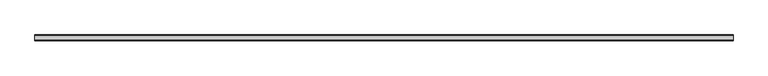
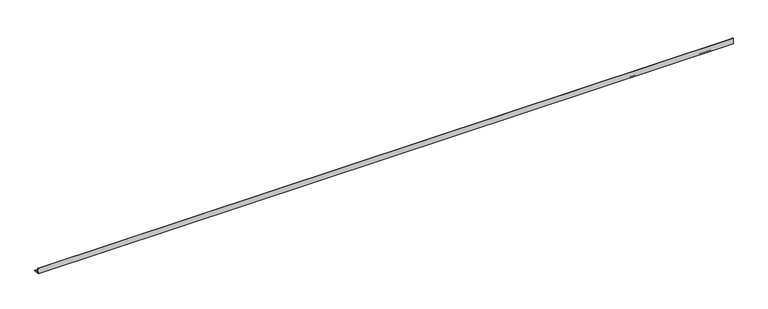
"""IFC4 building model written with IfcOpenShell, lengths in millimetres: beam geometry."""

from ifc_helpers import new_model, si_unit, point, frame, frame_2d, origin, place, context, project, spatial, polyline, circle_curve, trimmed, segment, composite_curve, outline, extrude, source, transform, mapped, element, save


def beam_98cd4c34(model_context):
    return source(origin(), model_context, "Body", "SweptSolid", [
        extrude(outline(composite_curve([segment(polyline([(-21.3, -21.3), (-21.3, 53.7), (-18.3, 53.7)]), True, "CONTINUOUS"), segment(trimmed(circle_curve(frame_2d((-18.3, 48.7)), 5.0), [point((-18.3, 53.7))], [point((-13.3, 48.7))], False, "CARTESIAN"), True, "CONTINUOUS"), segment(polyline([(-13.3, 48.7), (-13.3, -5.3)]), True, "CONTINUOUS"), segment(trimmed(circle_curve(frame_2d((-5.3, -5.3)), 8.0), [point((-13.3, -5.3))], [point((-5.3, -13.3))], True, "CARTESIAN"), True, "CONTINUOUS"), segment(polyline([(-5.3, -13.3), (48.7, -13.3)]), True, "CONTINUOUS"), segment(trimmed(circle_curve(frame_2d((48.7, -18.3)), 5.0), [point((48.7, -13.3))], [point((53.7, -18.3))], False, "CARTESIAN"), True, "CONTINUOUS"), segment(polyline([(53.7, -18.3), (53.7, -21.3), (-21.3, -21.3)]), True, "CONTINUOUS")], self_intersect=False)), frame((-4470.5, 0.0, 0.0), z_axis=(1.0, 0.0, 0.0), x_axis=(0.0, 1.0, 0.0)), (0.0, 0.0, 1.0), 8864.0),
    ])


if __name__ == "__main__":
    model = new_model("IFC4")
    model_context = context("Model", 3, world=origin())
    ifc_project = project(units=[si_unit("LENGTHUNIT", "METRE", prefix="MILLI")], contexts=[model_context])
    site = spatial("IfcSite", under=ifc_project)
    building = spatial("IfcBuilding", under=site)
    placement = place(None, origin())
    beam_shape = beam_98cd4c34(model_context)
    element("IfcBeam", 1, at=placement, inside=building, context=model_context, shape_type="MappedRepresentation", body=[
        mapped(beam_shape, transform((0.0, 0.0, 0.0), x_axis=(1.0, 0.0, 0.0), y_axis=(0.0, 1.0, 0.0), z_axis=(0.0, 0.0, 1.0))),
    ])
    save(model, "model.ifc")
